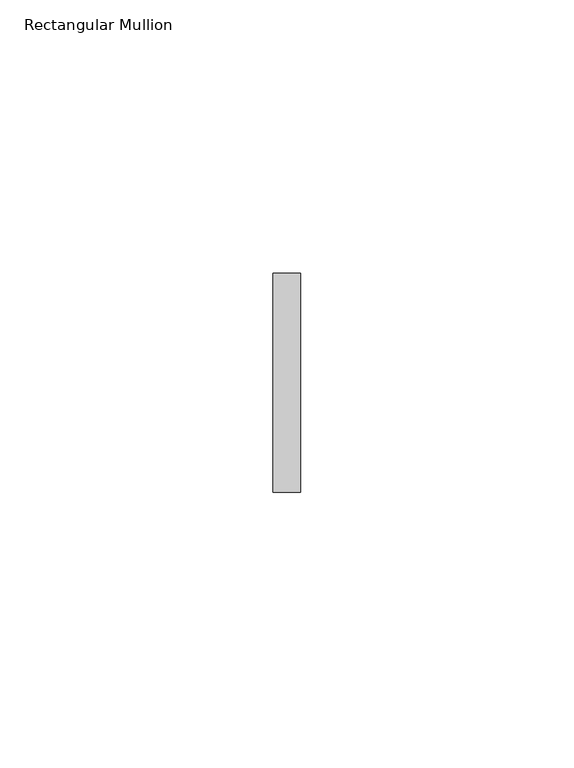
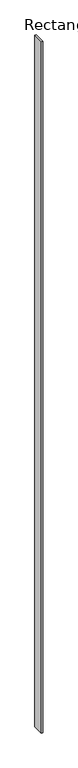
"""IFC4 building model written with IfcOpenShell, lengths in millimetres: member geometry, Rectangular Mullion."""

from ifc_helpers import new_model, si_unit, frame, origin, place, context, project, spatial, polyline, outline, extrude, source, transform, mapped, element, save


def rectangular_mullion_cb4790f1(model_context):
    return source(origin(), model_context, "Body", "SweptSolid", [
        extrude(outline(polyline([(2.5, 20.0), (2.5, -20.0), (-2.5, -20.0), (-2.5, 20.0), (2.5, 20.0)])), frame((0.0, 0.0, -2616.0), z_axis=(0.0, 0.0, 1.0), x_axis=(1.0, 0.0, 0.0)), (0.0, 0.0, 1.0), 2616.0),
    ])


if __name__ == "__main__":
    model = new_model("IFC4")
    model_context = context("Model", 3, world=origin())
    ifc_project = project(units=[si_unit("LENGTHUNIT", "METRE", prefix="MILLI")], contexts=[model_context])
    site = spatial("IfcSite", under=ifc_project)
    building = spatial("IfcBuilding", under=site)
    placement = place(None, origin())
    rectangular_mullion_shape = rectangular_mullion_cb4790f1(model_context)
    element("IfcMember", 1, ObjectType="Rectangular Mullion", at=placement, inside=building, context=model_context, shape_type="MappedRepresentation", body=[
        mapped(rectangular_mullion_shape, transform((0.0, 0.0, 0.0), x_axis=(1.0, 0.0, 0.0), y_axis=(0.0, 1.0, 0.0), z_axis=(0.0, 0.0, 1.0))),
    ])
    save(model, "model.ifc")
